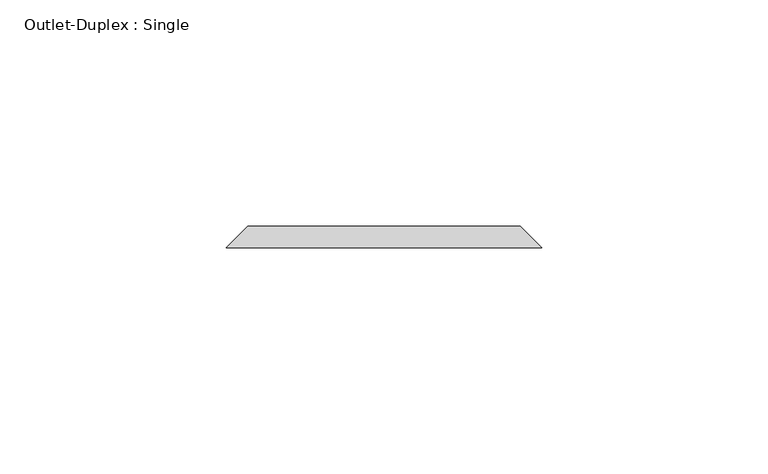
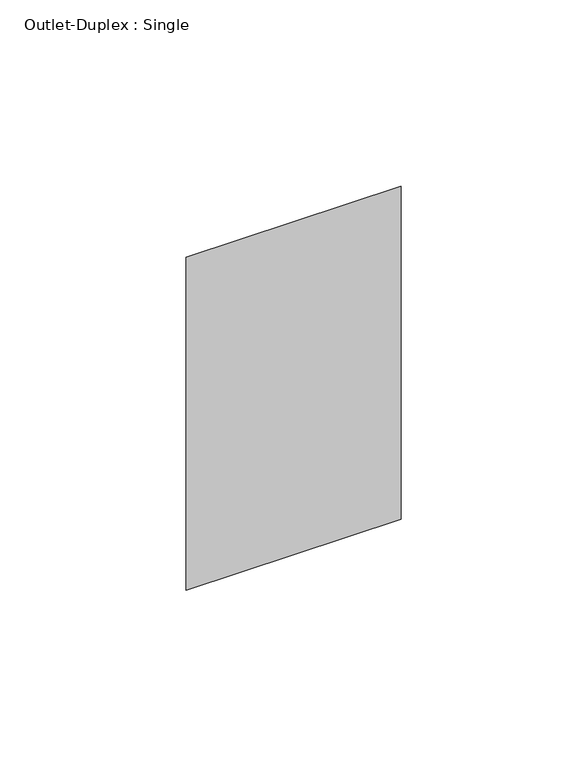
"""IFC4 building model written with IfcOpenShell, lengths in millimetres: proxy geometry, Outlet-Duplex : Single."""

from ifc_helpers import new_model, si_unit, origin, place, context, project, spatial, faceted_brep, source, transform, mapped, element, save


def outlet_duplex_single_fba89e93(model_context):
    return source(origin(), model_context, "Body", "Brep", [
        faceted_brep([(-30.1625, 96.8375, 357.1875), (30.1625, 96.8375, 357.1875), (30.1625, 96.8375, 252.4125), (-30.1625, 96.8375, 252.4125), (-34.925, 92.075, 361.95), (-34.925, 92.075, 247.65), (34.925, 92.075, 247.65), (34.925, 92.075, 361.95)], [[[0, 1, 2, 3]], [[4, 5, 6, 7]], [[4, 7, 1, 0]], [[7, 6, 2, 1]], [[6, 5, 3, 2]], [[5, 4, 0, 3]]]),
    ])


if __name__ == "__main__":
    model = new_model("IFC4")
    model_context = context("Model", 3, world=origin())
    ifc_project = project(units=[si_unit("LENGTHUNIT", "METRE", prefix="MILLI")], contexts=[model_context])
    site = spatial("IfcSite", under=ifc_project)
    building = spatial("IfcBuilding", under=site)
    placement = place(None, origin())
    outlet_duplex_single_shape = outlet_duplex_single_fba89e93(model_context)
    element("IfcBuildingElementProxy", 1, Name="Outlet-Duplex : Single", ObjectType="Outlet-Duplex : Single", at=placement, inside=building, context=model_context, shape_type="MappedRepresentation", body=[
        mapped(outlet_duplex_single_shape, transform((0.0, 0.0, 0.0), x_axis=(1.0, 0.0, 0.0), y_axis=(0.0, 1.0, 0.0), z_axis=(0.0, 0.0, 1.0))),
    ])
    save(model, "model.ifc")
